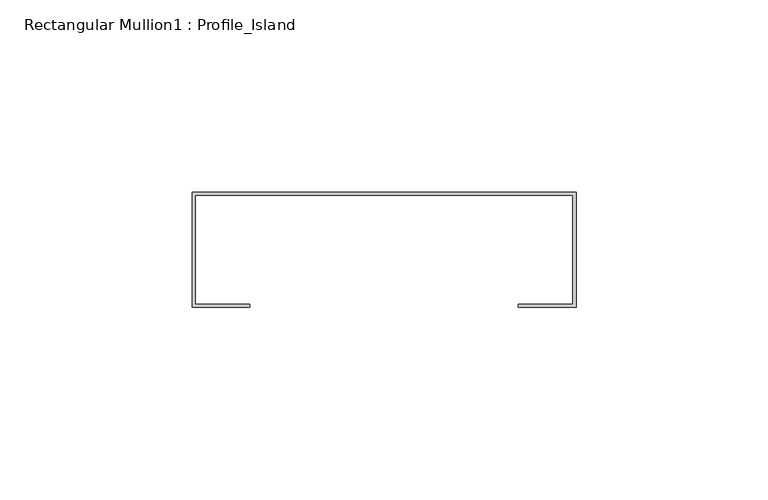
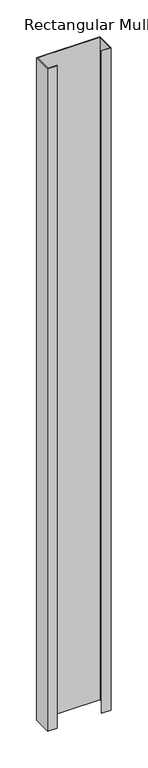
"""IFC4 building model written with IfcOpenShell, lengths in millimetres: member geometry, Rectangular Mullion1 : Profile_Island."""

from ifc_helpers import new_model, si_unit, frame, origin, place, context, project, spatial, polyline, outline, extrude, source, transform, mapped, element, save


def rectangular_mullion1_profile_island_28c31d81(model_context):
    return source(origin(), model_context, "Body", "SweptSolid", [
        extrude(outline(polyline([(0.0, 32.0), (0.0, 2.0), (-15.0, 2.0), (-15.0, 2.8), (-0.8, 2.8), (-0.8, 31.2), (-99.2, 31.2), (-99.2, 2.8), (-85.0, 2.8), (-85.0, 2.0), (-100.0, 2.0), (-100.0, 32.0), (0.0, 32.0)])), frame((0.0, 0.0, -1100.0), z_axis=(0.0, 0.0, 1.0), x_axis=(1.0, 0.0, 0.0)), (0.0, 0.0, 1.0), 1100.0),
    ])


if __name__ == "__main__":
    model = new_model("IFC4")
    model_context = context("Model", 3, world=origin())
    ifc_project = project(units=[si_unit("LENGTHUNIT", "METRE", prefix="MILLI")], contexts=[model_context])
    site = spatial("IfcSite", under=ifc_project)
    building = spatial("IfcBuilding", under=site)
    placement = place(None, origin())
    rectangular_mullion1_profile_island_shape = rectangular_mullion1_profile_island_28c31d81(model_context)
    element("IfcMember", 1, ObjectType="Rectangular Mullion1 : Profile_Island", at=placement, inside=building, context=model_context, shape_type="MappedRepresentation", body=[
        mapped(rectangular_mullion1_profile_island_shape, transform((0.0, 0.0, 0.0), x_axis=(1.0, 0.0, 0.0), y_axis=(0.0, 1.0, 0.0), z_axis=(0.0, 0.0, 1.0))),
    ])
    save(model, "model.ifc")
